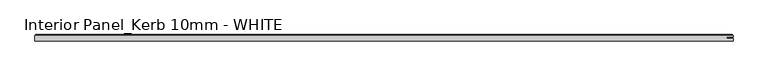
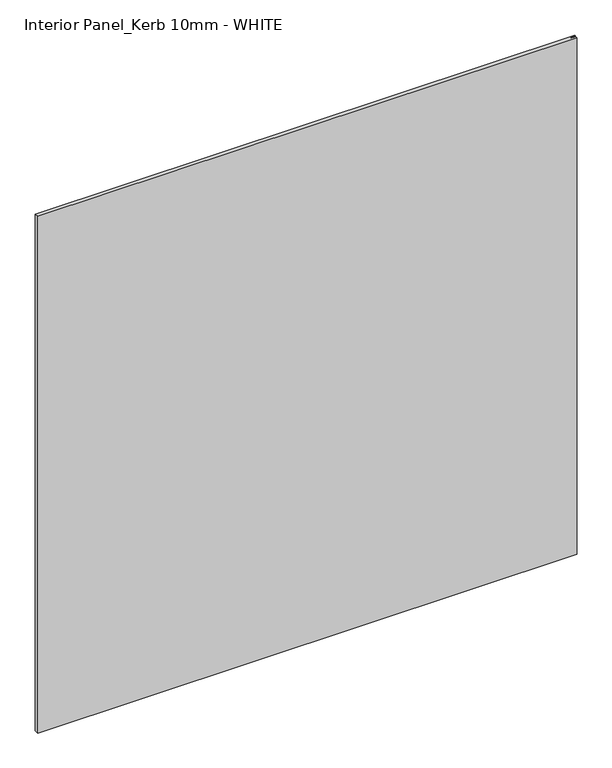
"""IFC4 building model written with IfcOpenShell, lengths in millimetres: proxy geometry, Interior Panel_Kerb 10mm - WHITE."""

from ifc_helpers import new_model, si_unit, origin, place, context, project, spatial, faceted_brep, source, transform, mapped, element, save


def interior_panel_kerb_10mm_white_9d8fa2e1(model_context):
    return source(origin(), model_context, "Body", "Brep", [
        faceted_brep([(990.6, -3.175, 1076.325), (990.6, 0.5207, 1076.325), (980.7773437, 0.5207, 1076.325), (980.7773437, 2.6543, 1076.325), (990.6, 2.6543, 1076.325), (990.6, 4.7625, 1076.325), (-73.025, 4.7625, 1076.325), (-73.025, -3.175, 1076.325), (990.6, -3.175, 0.0), (-73.025, -3.175, 0.0), (-73.025, 4.7625, 0.0), (990.6, 4.7625, 0.0), (990.6, 2.6543, 0.0), (980.7773437, 2.6543, 0.0), (980.7773437, 0.5207, 0.0), (990.6, 0.5207, 0.0), (-71.4375, 6.35, 1074.7375), (989.0125, 6.35, 1074.7375), (989.0125, 6.35, 1.5875), (-71.4375, 6.35, 1.5875)], [[[0, 1, 2, 3, 4, 5, 6, 7]], [[8, 9, 10, 11, 12, 13, 14, 15]], [[7, 9, 8, 0]], [[6, 10, 9, 7]], [[16, 17, 18, 19]], [[4, 12, 11, 5]], [[6, 16, 19, 10]], [[11, 18, 17, 5]], [[5, 17, 16, 6]], [[10, 19, 18, 11]], [[3, 13, 12, 4]], [[2, 14, 13, 3]], [[1, 15, 14, 2]], [[0, 8, 15, 1]]]),
    ])


if __name__ == "__main__":
    model = new_model("IFC4")
    model_context = context("Model", 3, world=origin())
    ifc_project = project(units=[si_unit("LENGTHUNIT", "METRE", prefix="MILLI")], contexts=[model_context])
    site = spatial("IfcSite", under=ifc_project)
    building = spatial("IfcBuilding", under=site)
    placement = place(None, origin())
    interior_panel_kerb_10mm_white_shape = interior_panel_kerb_10mm_white_9d8fa2e1(model_context)
    element("IfcBuildingElementProxy", 1, Name="Interior Panel_Kerb 10mm - WHITE", ObjectType="Interior Panel_Kerb 10mm - WHITE", at=placement, inside=building, context=model_context, shape_type="MappedRepresentation", body=[
        mapped(interior_panel_kerb_10mm_white_shape, transform((0.0, 0.0, 0.0), x_axis=(1.0, 0.0, 0.0), y_axis=(0.0, 1.0, 0.0), z_axis=(0.0, 0.0, 1.0))),
    ])
    save(model, "model.ifc")
